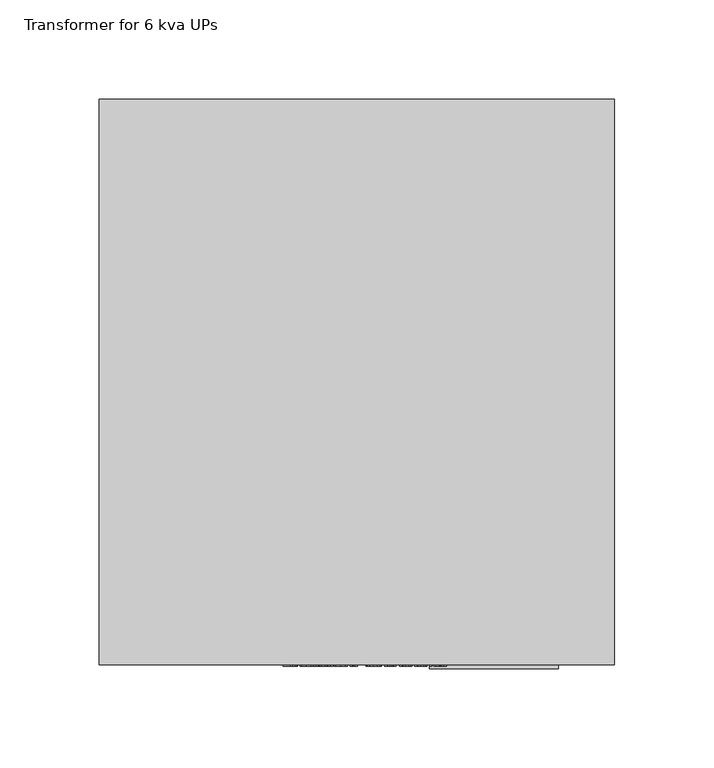
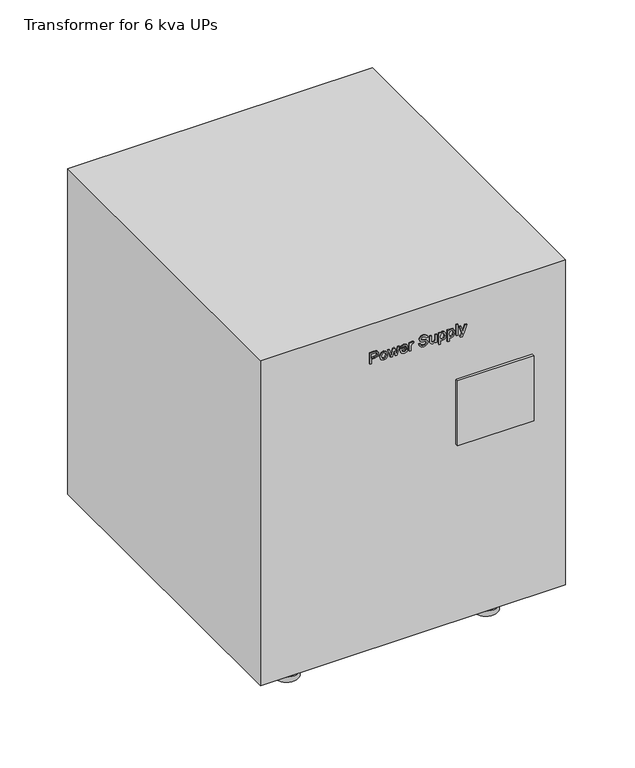
"""IFC4 building model written with IfcOpenShell, lengths in millimetres: proxy geometry, Transformer for 6 kva UPs."""

from ifc_helpers import new_model, si_unit, point, frame, frame_2d, origin, origin_with_axes, place, context, project, spatial, polyline, circle_curve, trimmed, segment, composite_curve, outline, extrude, source, transform, mapped, element, save


def transformer_for_6_kva_ups_0a11d2e8(model_context):
    return source(origin(), model_context, "Body", "SweptSolid", [
        extrude(outline(composite_curve([segment(trimmed(circle_curve(frame_2d((-85.0, -124.606941)), 5.0), [point((-90.0, -124.606941))], [point((-80.0, -124.606941))], False, "CARTESIAN"), True, "CONTINUOUS"), segment(trimmed(circle_curve(frame_2d((-85.0, -124.606941)), 5.0), [point((-80.0, -124.606941))], [point((-90.0, -124.606941))], False, "CARTESIAN"), True, "CONTINUOUS")], self_intersect=False)), frame((0.0, 0.0, 4.6975309), z_axis=(0.0, 0.0, 1.0), x_axis=(1.0, 0.0, 0.0)), (0.0, 0.0, 1.0), 6.990534),
        extrude(outline(composite_curve([segment(trimmed(circle_curve(frame_2d((85.0, -124.606941)), 5.0), [point((80.0, -124.606941))], [point((90.0, -124.606941))], False, "CARTESIAN"), True, "CONTINUOUS"), segment(trimmed(circle_curve(frame_2d((85.0, -124.606941)), 5.0), [point((90.0, -124.606941))], [point((80.0, -124.606941))], False, "CARTESIAN"), True, "CONTINUOUS")], self_intersect=False)), frame((0.0, 0.0, 4.6975309), z_axis=(0.0, 0.0, 1.0), x_axis=(1.0, 0.0, 0.0)), (0.0, 0.0, 1.0), 6.990534),
        extrude(outline(composite_curve([segment(trimmed(circle_curve(frame_2d((-85.0, 124.606941)), 5.0), [point((-90.0, 124.606941))], [point((-80.0, 124.606941))], False, "CARTESIAN"), True, "CONTINUOUS"), segment(trimmed(circle_curve(frame_2d((-85.0, 124.606941)), 5.0), [point((-80.0, 124.606941))], [point((-90.0, 124.606941))], False, "CARTESIAN"), True, "CONTINUOUS")], self_intersect=False)), frame((0.0, 0.0, 4.6975309), z_axis=(0.0, 0.0, 1.0), x_axis=(1.0, 0.0, 0.0)), (0.0, 0.0, 1.0), 6.990534),
        extrude(outline(composite_curve([segment(trimmed(circle_curve(frame_2d((85.0, 124.606941)), 5.0), [point((80.0, 124.606941))], [point((90.0, 124.606941))], False, "CARTESIAN"), True, "CONTINUOUS"), segment(trimmed(circle_curve(frame_2d((85.0, 124.606941)), 5.0), [point((90.0, 124.606941))], [point((80.0, 124.606941))], False, "CARTESIAN"), True, "CONTINUOUS")], self_intersect=False)), frame((0.0, 0.0, 4.6975309), z_axis=(0.0, 0.0, 1.0), x_axis=(1.0, 0.0, 0.0)), (0.0, 0.0, 1.0), 6.990534),
        extrude(outline(composite_curve([segment(trimmed(circle_curve(frame_2d((-85.0, -124.606941)), 10.0), [point((-95.0, -124.606941))], [point((-75.0, -124.606941))], False, "CARTESIAN"), True, "CONTINUOUS"), segment(trimmed(circle_curve(frame_2d((-85.0, -124.606941)), 10.0), [point((-75.0, -124.606941))], [point((-95.0, -124.606941))], False, "CARTESIAN"), True, "CONTINUOUS")], self_intersect=False)), origin_with_axes(), (0.0, 0.0, 1.0), 4.6975309),
        extrude(outline(composite_curve([segment(trimmed(circle_curve(frame_2d((85.0, -124.606941)), 10.0), [point((75.0, -124.606941))], [point((95.0, -124.606941))], False, "CARTESIAN"), True, "CONTINUOUS"), segment(trimmed(circle_curve(frame_2d((85.0, -124.606941)), 10.0), [point((95.0, -124.606941))], [point((75.0, -124.606941))], False, "CARTESIAN"), True, "CONTINUOUS")], self_intersect=False)), origin_with_axes(), (0.0, 0.0, 1.0), 4.6975309),
        extrude(outline(composite_curve([segment(trimmed(circle_curve(frame_2d((-85.0, 124.606941)), 10.0), [point((-95.0, 124.606941))], [point((-75.0, 124.606941))], False, "CARTESIAN"), True, "CONTINUOUS"), segment(trimmed(circle_curve(frame_2d((-85.0, 124.606941)), 10.0), [point((-75.0, 124.606941))], [point((-95.0, 124.606941))], False, "CARTESIAN"), True, "CONTINUOUS")], self_intersect=False)), origin_with_axes(), (0.0, 0.0, 1.0), 4.6975309),
        extrude(outline(composite_curve([segment(trimmed(circle_curve(frame_2d((85.0, 124.606941)), 10.0), [point((75.0, 124.606941))], [point((95.0, 124.606941))], False, "CARTESIAN"), True, "CONTINUOUS"), segment(trimmed(circle_curve(frame_2d((85.0, 124.606941)), 10.0), [point((95.0, 124.606941))], [point((75.0, 124.606941))], False, "CARTESIAN"), True, "CONTINUOUS")], self_intersect=False)), origin_with_axes(), (0.0, 0.0, 1.0), 4.6975309),
        extrude(outline(polyline([(269.4753526, -24.3480123), (269.4753526, -23.1172431), (273.4753526, -23.1172431), (273.4753526, -20.6148392), (274.3455449, -17.7554642), (276.4729487, -16.9633969), (277.8154968, -17.2566662), (278.7674199, -18.0319065), (279.2277564, -19.22782), (279.3215064, -20.6989738), (279.3215064, -24.3480123), (269.4753526, -24.3480123)]), holes=[polyline([(274.7061218, -23.1172431), (278.0907372, -23.1172431), (278.0907372, -20.57157), (278.0066026, -19.3408008), (277.4489103, -18.5102719), (276.4296795, -18.1941662), (275.1580449, -18.7302238), (274.7061218, -20.5427238), (274.7061218, -23.1172431)])]), frame((0.0, -142.9999097, 0.0), z_axis=(0.0, 1.0, 0.0), x_axis=(0.0, 0.0, 1.0)), (0.0, 0.0, 1.0), 0.8929687),
        extrude(outline(polyline([(273.0907372, -15.7326277), (270.2926603, -14.8395988), (269.3215064, -12.4994546), (269.7626122, -10.8323873), (271.0017949, -9.6701277), (273.1916987, -9.2710892), (275.8852083, -10.1737335), (276.8599679, -12.4994546), (276.0594872, -14.6677238), (273.0907372, -15.7326277)]), holes=[polyline([(273.093141, -14.5018585), (274.9981891, -13.9321469), (275.6291987, -12.4994546), (274.9957853, -11.0751758), (273.1316026, -10.5018585), (271.1892949, -11.07157), (270.5522756, -12.4994546), (271.1856891, -13.9321469), (273.093141, -14.5018585)])]), frame((0.0, -142.9999097, 0.0), z_axis=(0.0, 1.0, 0.0), x_axis=(0.0, 0.0, 1.0)), (0.0, 0.0, 1.0), 0.8929688),
        extrude(outline(polyline([(269.4753526, -6.6869546), (269.4753526, -5.1821469), (275.0378526, -3.9633969), (273.7157372, -3.6893585), (269.4753526, -2.7446469), (269.4753526, -1.2566662), (276.7061218, 0.95968), (276.7061218, -0.3239738), (272.5162179, -1.5739738), (271.1291987, -1.9633969), (272.4441026, -2.2350315), (276.7061218, -3.2230123), (276.7061218, -4.6893585), (272.4320833, -5.6821469), (270.9801603, -5.9874354), (272.4873718, -6.3600315), (276.7061218, -7.6076277), (276.7061218, -8.8864738), (269.4753526, -6.6869546)])), frame((0.0, -142.9999097, 0.0), z_axis=(0.0, 1.0, 0.0), x_axis=(0.0, 0.0, 1.0)), (0.0, 0.0, 1.0), 0.8929687),
        extrude(outline(polyline([(271.6291987, 6.8683338), (270.8094872, 6.0750646), (270.5522756, 4.8683338), (271.1075641, 3.2829973), (272.7061218, 2.5750646), (273.0378526, 8.1135262), (275.8575641, 7.1796319), (276.8599679, 4.7745838), (275.8551603, 2.2986223), (273.030641, 1.3442954), (270.296266, 2.2890069), (269.3215064, 4.8442954), (269.8864103, 6.9464588), (271.4753526, 8.0750646), (271.6291987, 6.8683338)]), holes=[polyline([(273.936891, 2.5750646), (275.1688622, 3.2541512), (275.6291987, 4.7697762), (275.0522756, 6.3899685), (273.936891, 6.8827569), (273.936891, 2.5750646)])]), frame((0.0, -142.9999097, 0.0), z_axis=(0.0, 1.0, 0.0), x_axis=(0.0, 0.0, 1.0)), (0.0, 0.0, 1.0), 0.8929687),
        extrude(outline(polyline([(269.4753526, 9.3442954), (269.4753526, 10.5750646), (273.2758333, 10.5750646), (274.7133333, 10.7745838), (275.6291987, 11.9140069), (275.3767949, 12.7793915), (276.4801603, 13.1904492), (276.8599679, 11.9548723), (276.6219872, 11.1856415), (275.6364103, 10.4212185), (276.7061218, 10.4212185), (276.7061218, 9.3442954), (269.4753526, 9.3442954)])), frame((0.0, -142.9999097, 0.0), z_axis=(0.0, 1.0, 0.0), x_axis=(0.0, 0.0, 1.0)), (0.0, 0.0, 1.0), 0.8929688),
        extrude(outline(polyline([(272.8599679, 17.4981415), (270.9801603, 18.0293915), (269.7349679, 19.4200165), (269.3215064, 21.6183338), (269.7049199, 23.4801127), (270.7794391, 24.7493435), (272.2517949, 25.1904492), (273.6436218, 24.8070358), (274.6412179, 23.61593), (275.2590064, 21.4380454), (275.9465064, 19.42843), (276.7998718, 19.0366031), (277.8215064, 19.5894877), (278.2445833, 21.3515069), (277.8166987, 23.1087185), (276.5522756, 23.8058338), (276.5522756, 25.0366031), (278.093141, 24.5486223), (279.124391, 23.2505454), (279.4753526, 21.30343), (279.140016, 19.4789108), (278.1568429, 18.2325165), (276.7638141, 17.8058338), (275.5402564, 18.1507858), (274.624391, 19.1976608), (274.0174199, 21.1267473), (273.5474679, 22.9188146), (272.9885737, 23.7553531), (272.2205449, 23.95968), (271.3948237, 23.6868435), (270.7770353, 22.8563146), (270.5522756, 21.5702569), (270.8491506, 20.0942954), (271.6279968, 19.1255454), (272.8599679, 18.7289108), (272.8599679, 17.4981415)])), frame((0.0, -142.9999097, 0.0), z_axis=(0.0, 1.0, 0.0), x_axis=(0.0, 0.0, 1.0)), (0.0, 0.0, 1.0), 0.8929687),
        extrude(outline(polyline([(269.4753526, 31.4981415), (269.4753526, 32.7289108), (276.7061218, 32.7289108), (276.7061218, 31.4981415), (272.9441026, 31.4981415), (271.5727083, 31.2986223), (270.8263141, 30.6195358), (270.5522756, 29.5918915), (270.8203045, 28.6748242), (271.5570833, 28.1880454), (272.811891, 28.1135262), (276.7061218, 28.1135262), (276.7061218, 26.8827569), (272.2325641, 26.8827569), (271.0883333, 26.9548723), (270.1820833, 27.3214588), (269.5666987, 28.1195358), (269.3215064, 29.2769877), (270.718141, 31.4981415), (269.4753526, 31.4981415)])), frame((0.0, -142.9999097, 0.0), z_axis=(0.0, 1.0, 0.0), x_axis=(0.0, 0.0, 1.0)), (0.0, 0.0, 1.0), 0.8929687),
        extrude(outline(polyline([(266.7061218, 34.4212185), (266.7061218, 35.6519877), (270.436891, 35.6519877), (269.6376122, 36.4320358), (269.3215064, 37.5029492), (269.7938622, 39.0594396), (271.1520353, 40.1868435), (273.1460256, 40.5750646), (275.0426603, 40.2313146), (276.3840064, 39.2120838), (276.8599679, 37.6519877), (276.5198237, 36.5029492), (275.499391, 35.6519877), (276.7061218, 35.6519877), (276.7061218, 34.4212185), (266.7061218, 34.4212185)]), holes=[polyline([(273.0330449, 35.6519877), (274.9645353, 36.2204973), (275.6291987, 37.5269877), (275.0041987, 38.8082377), (273.124391, 39.3442954), (271.1796795, 38.7950165), (270.5522756, 37.4765069), (271.1580449, 36.1844396), (273.0330449, 35.6519877)])]), frame((0.0, -142.9999097, 0.0), z_axis=(0.0, 1.0, 0.0), x_axis=(0.0, 0.0, 1.0)), (0.0, 0.0, 1.0), 0.8929688),
        extrude(outline(polyline([(266.7061218, 41.95968), (266.7061218, 43.1904492), (270.436891, 43.1904492), (269.6376122, 43.9704973), (269.3215064, 45.0414108), (269.7938622, 46.5979012), (271.1520353, 47.725305), (273.1460256, 48.1135262), (275.0426603, 47.7697762), (276.3840064, 46.7505454), (276.8599679, 45.1904492), (276.5198237, 44.0414108), (275.499391, 43.1904492), (276.7061218, 43.1904492), (276.7061218, 41.95968), (266.7061218, 41.95968)]), holes=[polyline([(273.0330449, 43.1904492), (274.9645353, 43.7589588), (275.6291987, 45.0654492), (275.0041987, 46.3466992), (273.124391, 46.8827569), (271.1796795, 46.3334781), (270.5522756, 45.0149685), (271.1580449, 43.7229012), (273.0330449, 43.1904492)])]), frame((0.0, -142.9999097, 0.0), z_axis=(0.0, 1.0, 0.0), x_axis=(0.0, 0.0, 1.0)), (0.0, 0.0, 1.0), 0.8929687),
        extrude(outline(polyline([(50.7289108, -142.9999097), (49.4981415, -142.9999097), (49.4981415, -142.106941), (50.7289108, -142.106941), (50.7289108, -142.9999097)])), frame((0.0, 0.0, 269.4753526), z_axis=(0.0, 0.0, 1.0), x_axis=(1.0, 0.0, 0.0)), (0.0, 0.0, 1.0), 9.8461538),
        extrude(outline(polyline([(266.6291987, 52.9512665), (266.8287179, 54.2866031), (267.6965064, 55.0005454), (269.3022756, 55.6543915), (276.7061218, 58.1712185), (276.7061218, 56.8827569), (272.5041987, 55.4572762), (271.0859295, 54.9741031), (272.6916987, 54.49093), (276.7061218, 53.1039108), (276.7061218, 51.8058338), (269.2037179, 54.3250646), (267.8912179, 52.4212185), (266.6291987, 52.9512665)])), frame((0.0, -142.9999097, 0.0), z_axis=(0.0, 1.0, 0.0), x_axis=(0.0, 0.0, 1.0)), (0.0, 0.0, 1.0), 0.8929687),
        extrude(outline(polyline([(114.5769348, -144.188116), (49.5769348, -144.188116), (49.5769348, -67.1839039), (114.5769348, -67.1839039), (114.5769348, -144.188116)])), frame((0.0, 0.0, 170.9310778), z_axis=(0.0, 0.0, 1.0), x_axis=(1.0, 0.0, 0.0)), (0.0, 0.0, 1.0), 58.4139443),
        extrude(outline(polyline([(142.8631155, 142.893059), (142.8631155, -142.106941), (-117.1368845, -142.106941), (-117.1368845, 142.893059), (142.8631155, 142.893059)])), frame((0.0, 0.0, 11.6880649), z_axis=(0.0, 0.0, 1.0), x_axis=(1.0, 0.0, 0.0)), (0.0, 0.0, 1.0), 293.1119351),
    ])


if __name__ == "__main__":
    model = new_model("IFC4")
    model_context = context("Model", 3, world=origin())
    ifc_project = project(units=[si_unit("LENGTHUNIT", "METRE", prefix="MILLI")], contexts=[model_context])
    site = spatial("IfcSite", under=ifc_project)
    building = spatial("IfcBuilding", under=site)
    placement = place(None, origin())
    transformer_for_6_kva_ups_shape = transformer_for_6_kva_ups_0a11d2e8(model_context)
    element("IfcBuildingElementProxy", 1, Name="Transformer for 6 kva UPs", ObjectType="Transformer for 6 kva UPs", at=placement, inside=building, context=model_context, shape_type="MappedRepresentation", body=[
        mapped(transformer_for_6_kva_ups_shape, transform((0.0, 0.0, 0.0), x_axis=(1.0, 0.0, 0.0), y_axis=(0.0, 1.0, 0.0), z_axis=(0.0, 0.0, 1.0))),
    ])
    save(model, "model.ifc")
